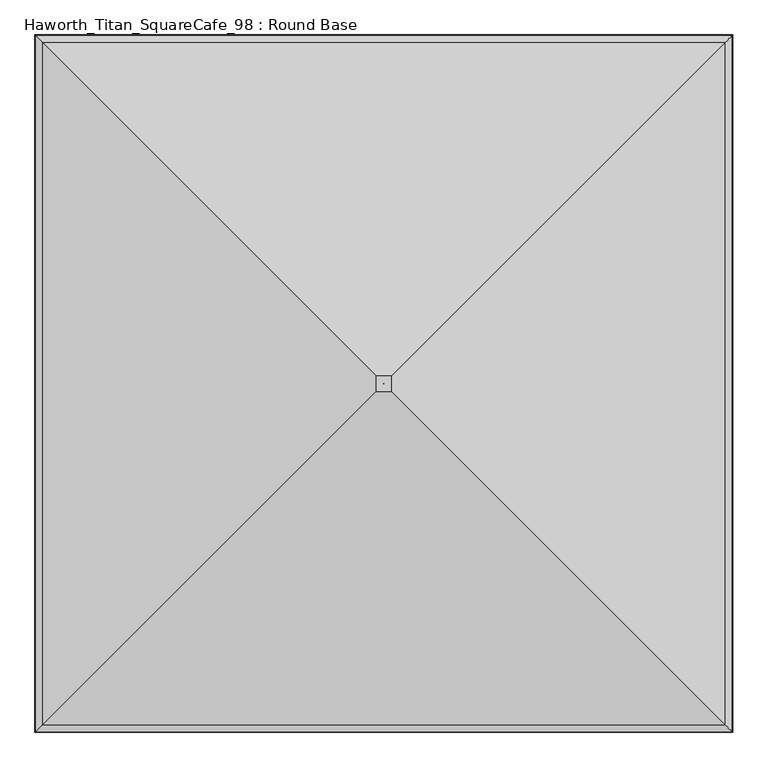
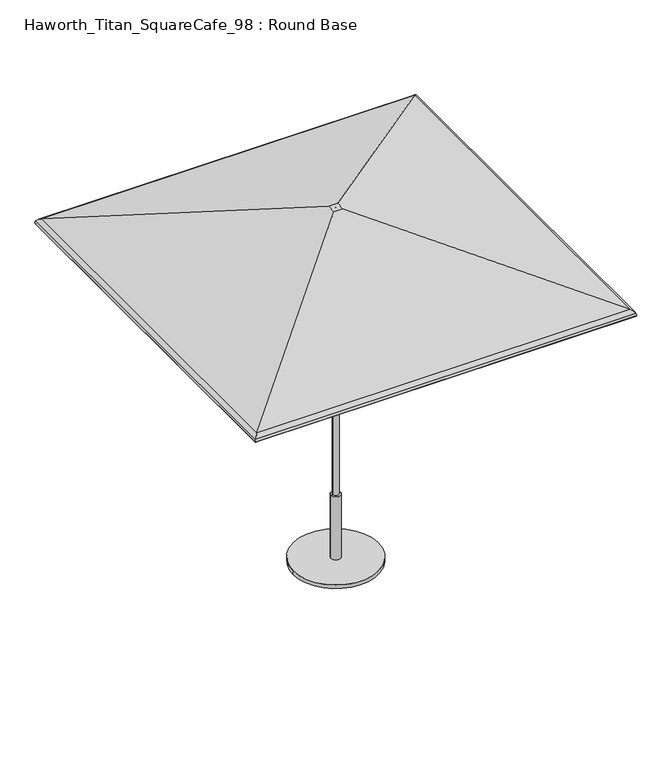
"""IFC4 building model written with IfcOpenShell, lengths in millimetres: furniture geometry, Haworth_Titan_SquareCafe_98 : Round Base."""

from ifc_helpers import new_model, si_unit, point, frame, frame_2d, origin, origin_with_axes, place, context, project, spatial, polyline, circle_curve, ellipse_curve, trimmed, segment, composite_curve, outline, extrude, source, transform, mapped, element, save
from ifc_brep_helpers import plane_surface, cylinder_surface, revolved_surface, advanced_brep


def haworth_titan_squarecafe_98_round_base_5a22792f(model_context):
    return source(origin(), model_context, "Body", "SolidModel", [
        advanced_brep(
        [(1223.4008004, -1227.8003535, 2056.1384861), (29.1271987, -33.5267518, 2448.9851097), (-29.1271987, -33.5267518, 2448.9851097), (-1223.4008004, -1227.8003535, 2056.1384861), (1247.9240129, -1252.323566, 2036.3991387), (-1247.9240129, -1252.323566, 2036.3991387), (1250.4423911, -1254.8419442, 2016.9581742), (-1250.4423911, -1254.8419442, 2016.9581742), (1246.050839, -1250.4503921, 2018.201129), (-1246.050839, -1250.4503921, 2018.201129), (1243.9941233, -1248.3936765, 2034.0782262), (-1243.9941233, -1248.3936765, 2034.0782262), (1221.9738888, -1226.3734419, 2051.8032133), (-1221.9738888, -1226.3734419, 2051.8032133), (28.3958193, -32.7953724, 2444.4210472), (-28.3958193, -32.7953724, 2444.4210472), (0.1068966, -4.5064497, 2448.9851097), (0.1068966, -4.5064497, 2444.4210472), (-0.1068966, -4.5064497, 2444.4210472), (-0.1068966, -4.5064497, 2448.9851097), (-29.1271987, 25.4668702, 2448.9851097), (-1223.4008004, 1219.740472, 2056.1384861), (-1247.9240129, 1244.2636844, 2036.3991387), (-1250.4423911, 1246.7820627, 2016.9581742), (-1246.050839, 1242.3905106, 2018.201129), (-1243.9941233, 1240.3337949, 2034.0782262), (-1221.9738888, 1218.3135603, 2051.8032133), (-28.3958193, 24.7354908, 2444.4210472), (-0.1068966, -3.5534318, 2444.4210472), (-0.1068966, -3.5534318, 2448.9851097), (29.1271987, 25.4668702, 2448.9851097), (1223.4008004, 1219.740472, 2056.1384861), (1247.9240129, 1244.2636844, 2036.3991387), (1250.4423911, 1246.7820627, 2016.9581742), (1246.050839, 1242.3905106, 2018.201129), (1243.9941233, 1240.3337949, 2034.0782262), (1221.9738888, 1218.3135603, 2051.8032133), (28.3958193, 24.7354908, 2444.4210472), (0.1068966, -3.5534318, 2444.4210472), (0.1068966, -3.5534318, 2448.9851097)],
        [
            (0, 1),
            (1, 2),
            (2, 3),
            (3, 0),
            (4, 0, ellipse_curve(frame((1209.4091708, -1213.8087239, 2013.6530594), z_axis=(-0.707106781186547, -0.7071067811865481, 0.0), x_axis=(0.707106781186548, -0.7071067811865471, 0.0)), 63.2578403, 44.7300479)),
            (3, 5, ellipse_curve(frame((-1209.4091708, -1213.8087239, 2013.6530594), z_axis=(0.7071067811865491, -0.7071067811865459, 0.0), x_axis=(0.7071067811865458, 0.7071067811865491, 0.0)), 63.2578403, 44.7300479)),
            (5, 4),
            (6, 4, ellipse_curve(frame((1226.48639, -1230.8859431, 2023.7385164), z_axis=(-0.707106781186547, -0.7071067811865481, 0.0), x_axis=(0.707106781186548, -0.7071067811865471, 0.0)), 35.2097438, 24.8970486)),
            (5, 7, ellipse_curve(frame((-1226.48639, -1230.8859431, 2023.7385164), z_axis=(0.7071067811865491, -0.7071067811865459, 0.0), x_axis=(0.7071067811865458, 0.7071067811865491, 0.0)), 35.2097438, 24.8970486)),
            (7, 6),
            (8, 6, ellipse_curve(frame((1248.2466151, -1252.6461682, 2017.5796516), z_axis=(-0.707106781186547, -0.7071067811865481, 0.0), x_axis=(0.707106781186548, -0.7071067811865471, 0.0)), 3.2272795, 2.2820312)),
            (7, 9, ellipse_curve(frame((-1248.2466151, -1252.6461682, 2017.5796516), z_axis=(0.7071067811865491, -0.7071067811865459, 0.0), x_axis=(0.7071067811865458, 0.7071067811865491, 0.0)), 3.2272795, 2.2820312)),
            (9, 8),
            (10, 8, ellipse_curve(frame((1226.48639, -1230.8859431, 2023.7385164), z_axis=(0.707106781186547, 0.7071067811865481, 0.0), x_axis=(-0.707106781186548, 0.7071067811865471, 0.0)), 28.7551847, 20.3329861)),
            (9, 11, ellipse_curve(frame((-1226.48639, -1230.8859431, 2023.7385164), z_axis=(-0.7071067811865491, 0.7071067811865459, 0.0), x_axis=(-0.7071067811865458, -0.7071067811865491, 0.0)), 28.7551847, 20.3329861)),
            (11, 10),
            (12, 10, ellipse_curve(frame((1209.4091708, -1213.8087239, 2013.6530594), z_axis=(0.707106781186547, 0.7071067811865481, 0.0), x_axis=(-0.707106781186548, 0.7071067811865471, 0.0)), 56.8032813, 40.1659854)),
            (11, 13, ellipse_curve(frame((-1209.4091708, -1213.8087239, 2013.6530594), z_axis=(-0.7071067811865491, 0.7071067811865459, 0.0), x_axis=(-0.7071067811865458, -0.7071067811865491, 0.0)), 56.8032813, 40.1659854)),
            (13, 12),
            (14, 12),
            (13, 15),
            (15, 14),
            (16, 17),
            (17, 18),
            (18, 19),
            (19, 16),
            (2, 20),
            (20, 21),
            (21, 3),
            (21, 22, ellipse_curve(frame((-1209.4091708, 1205.7488423, 2013.6530594), z_axis=(-0.7071067811865482, -0.7071067811865469, 0.0), x_axis=(0.707106781186547, -0.707106781186548, 0.0)), 63.2578403, 44.7300479)),
            (22, 5),
            (22, 23, ellipse_curve(frame((-1226.48639, 1222.8260616, 2023.7385164), z_axis=(-0.7071067811865482, -0.7071067811865469, 0.0), x_axis=(0.707106781186547, -0.707106781186548, 0.0)), 35.2097438, 24.8970486)),
            (23, 7),
            (23, 24, ellipse_curve(frame((-1248.2466151, 1244.5862866, 2017.5796516), z_axis=(-0.7071067811865482, -0.7071067811865469, 0.0), x_axis=(0.707106781186547, -0.707106781186548, 0.0)), 3.2272795, 2.2820312)),
            (24, 9),
            (24, 25, ellipse_curve(frame((-1226.48639, 1222.8260616, 2023.7385164), z_axis=(0.7071067811865482, 0.7071067811865469, 0.0), x_axis=(-0.707106781186547, 0.707106781186548, 0.0)), 28.7551847, 20.3329861)),
            (25, 11),
            (25, 26, ellipse_curve(frame((-1209.4091708, 1205.7488423, 2013.6530594), z_axis=(0.7071067811865482, 0.7071067811865469, 0.0), x_axis=(-0.707106781186547, 0.707106781186548, 0.0)), 56.8032813, 40.1659854)),
            (26, 13),
            (26, 27),
            (27, 15),
            (18, 28),
            (28, 29),
            (29, 19),
            (20, 30),
            (30, 31),
            (31, 21),
            (31, 32, ellipse_curve(frame((1209.4091708, 1205.7488423, 2013.6530594), z_axis=(-0.7071067811865458, 0.7071067811865492, 0.0), x_axis=(-0.7071067811865492, -0.7071067811865458, 0.0)), 63.2578403, 44.7300479)),
            (32, 22),
            (32, 33, ellipse_curve(frame((1226.48639, 1222.8260616, 2023.7385164), z_axis=(-0.7071067811865458, 0.7071067811865492, 0.0), x_axis=(-0.7071067811865492, -0.7071067811865458, 0.0)), 35.2097438, 24.8970486)),
            (33, 23),
            (33, 34, ellipse_curve(frame((1248.2466151, 1244.5862866, 2017.5796516), z_axis=(-0.7071067811865458, 0.7071067811865492, 0.0), x_axis=(-0.7071067811865492, -0.7071067811865458, 0.0)), 3.2272795, 2.2820312)),
            (34, 24),
            (34, 35, ellipse_curve(frame((1226.48639, 1222.8260616, 2023.7385164), z_axis=(0.7071067811865458, -0.7071067811865492, 0.0), x_axis=(0.7071067811865492, 0.7071067811865458, 0.0)), 28.7551847, 20.3329861)),
            (35, 25),
            (35, 36, ellipse_curve(frame((1209.4091708, 1205.7488423, 2013.6530594), z_axis=(0.7071067811865458, -0.7071067811865492, 0.0), x_axis=(0.7071067811865492, 0.7071067811865458, 0.0)), 56.8032813, 40.1659854)),
            (36, 26),
            (36, 37),
            (37, 27),
            (28, 38),
            (38, 39),
            (39, 29),
            (30, 1),
            (0, 31),
            (4, 32),
            (6, 33),
            (8, 34),
            (10, 35),
            (12, 36),
            (14, 37),
            (17, 38),
            (16, 39),
        ],
        [
            plane_surface(frame((29.1271987, -33.5267518, 2448.9851097), z_axis=(0.0, -0.3124708984398308, 0.9499273328145712), x_axis=(-1.0, 0.0, 0.0))),
            cylinder_surface(frame((1267.8016718, -1213.8087239, 2013.6530594), z_axis=(1.0, 0.0, 0.0), x_axis=(0.0, -1.0, 0.0)), 44.7300479),
            cylinder_surface(frame((1267.8016718, -1230.8859431, 2023.7385164), z_axis=(1.0, 0.0, 0.0), x_axis=(0.0, -1.0, 0.0)), 24.8970486),
            cylinder_surface(frame((1267.8016718, -1252.6461682, 2017.5796516), z_axis=(1.0, 0.0, 0.0), x_axis=(0.0, -1.0, 0.0)), 2.2820312),
            revolved_surface(polyline([(-1246.8193760956415, -1251.2189292, 2023.7385164), (1246.8193760956417, -1251.2189292, 2023.7385164)]), (1267.8016718, -1230.8859431, 2023.7385164), (-1.0, 0.0, 0.0)),
            revolved_surface(polyline([(-1249.5751562008768, -1253.9747092999999, 2013.6530594), (1249.575156200877, -1253.9747092999999, 2013.6530594)]), (1267.8016718, -1213.8087239, 2013.6530594), (-1.0, 0.0, 0.0)),
            plane_surface(frame((1221.9738888, -1226.3734419, 2051.8032133), z_axis=(0.0, 0.3124708984398308, -0.9499273328145712), x_axis=(-1.0, 0.0, 0.0))),
            plane_surface(frame((0.1068966, -4.5064497, 2444.4210472), z_axis=(-1.2662550629033169e-12, 1.0, 0.0), x_axis=(-1.0, -1.2662550629033169e-12, 0.0))),
            plane_surface(frame((-29.1271987, -33.5267518, 2448.9851097), z_axis=(-0.3124708984398277, 0.0, 0.9499273328145722), x_axis=(0.0, 1.0, 0.0))),
            cylinder_surface(frame((-1209.4091708, -1272.2012249, 2013.6530594), z_axis=(0.0, -1.0, 0.0), x_axis=(-1.0, 0.0, 0.0)), 44.7300479),
            cylinder_surface(frame((-1226.48639, -1272.2012249, 2023.7385164), z_axis=(0.0, -1.0, 0.0), x_axis=(-1.0, 0.0, 0.0)), 24.8970486),
            cylinder_surface(frame((-1248.2466151, -1272.2012249, 2017.5796516), z_axis=(0.0, -1.0, 0.0), x_axis=(-1.0, 0.0, 0.0)), 2.2820312),
            revolved_surface(polyline([(-1246.8193761, 1243.1590476956417, 2023.7385164), (-1246.8193761, -1251.2189291956417, 2023.7385164)]), (-1226.48639, -1272.2012249, 2023.7385164), (0.0, 1.0, 0.0)),
            revolved_surface(polyline([(-1249.5751562, 1245.9148277008771, 2013.6530594), (-1249.5751562, -1253.974709300877, 2013.6530594)]), (-1209.4091708, -1272.2012249, 2013.6530594), (0.0, 1.0, 0.0)),
            plane_surface(frame((-1221.9738888, -1226.3734419, 2051.8032133), z_axis=(0.3124708984398277, 0.0, -0.9499273328145722), x_axis=(0.0, 1.0, 0.0))),
            plane_surface(frame((-0.1068966, -4.5064497, 2444.4210472), z_axis=(1.0, 0.0, 0.0), x_axis=(0.0, 1.0, 0.0))),
            plane_surface(frame((-29.1271987, 25.4668702, 2448.9851097), z_axis=(0.0, 0.31247089843983084, 0.9499273328145712), x_axis=(1.0, 0.0, 0.0))),
            cylinder_surface(frame((-1267.8016718, 1205.7488423, 2013.6530594), z_axis=(-1.0, 0.0, 0.0), x_axis=(0.0, 1.0, 0.0)), 44.7300479),
            cylinder_surface(frame((-1267.8016718, 1222.8260616, 2023.7385164), z_axis=(-1.0, 0.0, 0.0), x_axis=(0.0, 1.0, 0.0)), 24.8970486),
            cylinder_surface(frame((-1267.8016718, 1244.5862866, 2017.5796516), z_axis=(-1.0, 0.0, 0.0), x_axis=(0.0, 1.0, 0.0)), 2.2820312),
            revolved_surface(polyline([(1246.819376095642, 1243.1590477, 2023.7385164), (-1246.8193760956417, 1243.1590477, 2023.7385164)]), (-1267.8016718, 1222.8260616, 2023.7385164), (1.0, 0.0, 0.0)),
            revolved_surface(polyline([(1249.5751562008772, 1245.9148277, 2013.6530594), (-1249.575156200877, 1245.9148277, 2013.6530594)]), (-1267.8016718, 1205.7488423, 2013.6530594), (1.0, 0.0, 0.0)),
            plane_surface(frame((-1221.9738888, 1218.3135603, 2051.8032133), z_axis=(0.0, -0.31247089843983084, -0.9499273328145712), x_axis=(1.0, 0.0, 0.0))),
            plane_surface(frame((-0.1068966, -3.5534318, 2444.4210472), z_axis=(-1.2662550628904897e-12, -1.0, 0.0), x_axis=(1.0, -1.2662550628904897e-12, 0.0))),
            plane_surface(frame((29.1271987, 25.4668702, 2448.9851097), z_axis=(0.312470898439834, 0.0, 0.9499273328145701), x_axis=(0.0, -1.0, 0.0))),
            cylinder_surface(frame((1209.4091708, 1264.1413433, 2013.6530594), z_axis=(0.0, 1.0, 0.0), x_axis=(1.0, 0.0, 0.0)), 44.7300479),
            cylinder_surface(frame((1226.48639, 1264.1413433, 2023.7385164), z_axis=(0.0, 1.0, 0.0), x_axis=(1.0, 0.0, 0.0)), 24.8970486),
            cylinder_surface(frame((1248.2466151, 1264.1413433, 2017.5796516), z_axis=(0.0, 1.0, 0.0), x_axis=(1.0, 0.0, 0.0)), 2.2820312),
            revolved_surface(polyline([(1246.8193761, -1251.2189291956413, 2023.7385164), (1246.8193761, 1243.1590476956417, 2023.7385164)]), (1226.48639, 1264.1413433, 2023.7385164), (0.0, -1.0, 0.0)),
            revolved_surface(polyline([(1249.5751562, -1253.974709300877, 2013.6530594), (1249.5751562, 1245.914827700877, 2013.6530594)]), (1209.4091708, 1264.1413433, 2013.6530594), (0.0, -1.0, 0.0)),
            plane_surface(frame((1221.9738888, 1218.3135603, 2051.8032133), z_axis=(-0.312470898439834, 0.0, -0.9499273328145701), x_axis=(0.0, -1.0, 0.0))),
            plane_surface(frame((28.3958193, 24.7354908, 2444.4210472), z_axis=(0.0, 0.0, -1.0), x_axis=(0.0, -1.0, 0.0))),
            plane_surface(frame((0.1068966, -3.5534318, 2444.4210472), z_axis=(-1.0, 0.0, 0.0), x_axis=(0.0, -1.0, 0.0))),
            plane_surface(frame((0.1068966, -3.5534318, 2448.9851097), z_axis=(0.0, 0.0, 1.0), x_axis=(0.0, -1.0, 0.0))),
        ],
        [
            (0, [[1, 2, 3, 4]]),
            (1, [[5, -4, 6, 7]]),
            (2, [[8, -7, 9, 10]]),
            (3, [[11, -10, 12, 13]]),
            (4, [[14, -13, 15, 16]]),
            (5, [[17, -16, 18, 19]]),
            (6, [[20, -19, 21, 22]]),
            (7, [[23, 24, 25, 26]]),
            (8, [[-3, 27, 28, 29]]),
            (9, [[-6, -29, 30, 31]]),
            (10, [[-9, -31, 32, 33]]),
            (11, [[-12, -33, 34, 35]]),
            (12, [[-15, -35, 36, 37]]),
            (13, [[-18, -37, 38, 39]]),
            (14, [[-21, -39, 40, 41]]),
            (15, [[-25, 42, 43, 44]]),
            (16, [[-28, 45, 46, 47]]),
            (17, [[-30, -47, 48, 49]]),
            (18, [[-32, -49, 50, 51]]),
            (19, [[-34, -51, 52, 53]]),
            (20, [[-36, -53, 54, 55]]),
            (21, [[-38, -55, 56, 57]]),
            (22, [[-40, -57, 58, 59]]),
            (23, [[-43, 60, 61, 62]]),
            (24, [[-46, 63, -1, 64]]),
            (25, [[-48, -64, -5, 65]]),
            (26, [[-50, -65, -8, 66]]),
            (27, [[-52, -66, -11, 67]]),
            (28, [[-54, -67, -14, 68]]),
            (29, [[-56, -68, -17, 69]]),
            (30, [[-58, -69, -20, 70]]),
            (31, [[-41, -59, -70, -22], [71, -60, -42, -24]]),
            (32, [[-61, -71, -23, 72]]),
            (33, [[-63, -45, -27, -2], [-44, -62, -72, -26]]),
        ],
    ),
        extrude(outline(composite_curve([segment(trimmed(circle_curve(frame_2d((0.0, -4.0299408)), 279.4), [point((-279.4, -4.0299408))], [point((279.4, -4.0299408))], False, "CARTESIAN"), True, "CONTINUOUS"), segment(trimmed(circle_curve(frame_2d((0.0, -4.0299408)), 279.4), [point((279.4, -4.0299408))], [point((-279.4, -4.0299408))], False, "CARTESIAN"), True, "CONTINUOUS")], self_intersect=False)), origin_with_axes(), (0.0, 0.0, 1.0), 25.4),
        advanced_brep(
        [(-19.05, -4.0299408, 463.5500121), (19.05, -4.0299408, 463.5500121), (31.7499992, -4.0299408, 463.5500121), (-31.7499992, -4.0299408, 463.5500121), (-19.05, -4.0299408, 1873.1507813), (19.05, -4.0299408, 1873.1507813), (0.0, -4.0299408, 1873.1507813), (-31.7499992, -4.0299408, 25.4), (31.7499992, -4.0299408, 25.4), (0.0, -4.0299408, 25.4)],
        [
            (0, 1, circle_curve(frame((0.0, -4.0299408, 463.5500121), z_axis=(0.0, 0.0, -1.0), x_axis=(1.0, 0.0, 0.0)), 19.05)),
            (1, 2),
            (2, 3, circle_curve(frame((0.0, -4.0299408, 463.5500121), z_axis=(0.0, 0.0, 1.0), x_axis=(1.0, 0.0, 0.0)), 31.7499992)),
            (3, 0),
            (1, 0, circle_curve(frame((0.0, -4.0299408, 463.5500121), z_axis=(0.0, 0.0, -1.0), x_axis=(1.0, 0.0, 0.0)), 19.05)),
            (3, 2, circle_curve(frame((0.0, -4.0299408, 463.5500121), z_axis=(0.0, 0.0, 1.0), x_axis=(1.0, 0.0, 0.0)), 31.7499992)),
            (4, 5, circle_curve(frame((0.0, -4.0299408, 1873.1507813), z_axis=(0.0, 0.0, -1.0), x_axis=(1.0, 0.0, 0.0)), 19.05)),
            (5, 1),
            (0, 4),
            (5, 4, circle_curve(frame((0.0, -4.0299408, 1873.1507813), z_axis=(0.0, 0.0, -1.0), x_axis=(1.0, 0.0, 0.0)), 19.05)),
            (6, 5),
            (4, 6),
            (7, 8, circle_curve(frame((0.0, -4.0299408, 25.4), z_axis=(0.0, 0.0, -1.0), x_axis=(1.0, 0.0, 0.0)), 31.7499992)),
            (8, 9),
            (9, 7),
            (8, 7, circle_curve(frame((0.0, -4.0299408, 25.4), z_axis=(0.0, 0.0, -1.0), x_axis=(1.0, 0.0, 0.0)), 31.7499992)),
            (2, 8),
            (7, 3),
        ],
        [
            plane_surface(frame((0.0, -4.0299408, 463.5500121), z_axis=(0.0, 0.0, 1.0), x_axis=(1.0, 0.0, 0.0))),
            cylinder_surface(frame((0.0, -4.0299408, 2736.7507813), z_axis=(0.0, 0.0, 1.0), x_axis=(1.0, 0.0, 0.0)), 19.05),
            plane_surface(frame((0.0, -4.0299408, 1873.1507813), z_axis=(0.0, 0.0, 1.0), x_axis=(1.0, 0.0, 0.0))),
            plane_surface(frame((0.0, -4.0299408, 25.4), z_axis=(0.0, 0.0, -1.0), x_axis=(1.0, 0.0, 0.0))),
            cylinder_surface(frame((0.0, -4.0299408, 2736.7507813), z_axis=(0.0, 0.0, 1.0), x_axis=(1.0, 0.0, 0.0)), 31.7499992),
        ],
        [
            (0, [[1, 2, 3, 4]]),
            (0, [[5, -4, 6, -2]]),
            (1, [[7, 8, -1, 9]]),
            (1, [[10, -9, -5, -8]]),
            (2, [[11, -7, 12]]),
            (2, [[-12, -10, -11]]),
            (3, [[13, 14, 15]]),
            (3, [[16, -15, -14]]),
            (4, [[-3, 17, -13, 18]]),
            (4, [[-6, -18, -16, -17]]),
        ],
    ),
    ])


if __name__ == "__main__":
    model = new_model("IFC4")
    model_context = context("Model", 3, world=origin())
    ifc_project = project(units=[si_unit("LENGTHUNIT", "METRE", prefix="MILLI")], contexts=[model_context])
    site = spatial("IfcSite", under=ifc_project)
    building = spatial("IfcBuilding", under=site)
    placement = place(None, origin())
    haworth_titan_squarecafe_98_round_base_shape = haworth_titan_squarecafe_98_round_base_5a22792f(model_context)
    element("IfcFurniture", 1, ObjectType="Haworth_Titan_SquareCafe_98 : Round Base", at=placement, inside=building, context=model_context, shape_type="MappedRepresentation", body=[
        mapped(haworth_titan_squarecafe_98_round_base_shape, transform((0.0, 0.0, 0.0), x_axis=(1.0, 0.0, 0.0), y_axis=(0.0, 1.0, 0.0), z_axis=(0.0, 0.0, 1.0))),
    ])
    save(model, "model.ifc")
